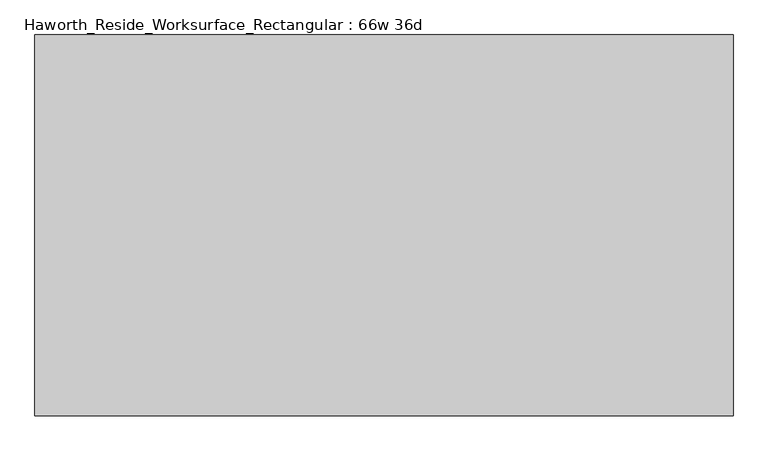
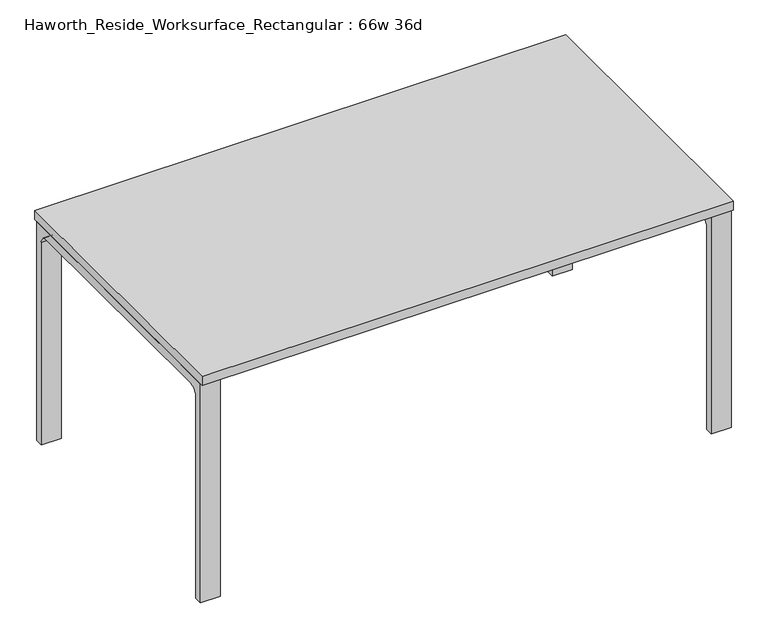
"""IFC4 building model written with IfcOpenShell, lengths in millimetres: furniture geometry, Haworth_Reside_Worksurface_Rectangular : 66w 36d."""

from ifc_helpers import new_model, si_unit, point, frame, frame_2d, origin, place, context, project, spatial, polyline, circle_curve, trimmed, segment, composite_curve, outline, extrude, source, transform, mapped, element, save


def haworth_reside_worksurface_rectangular_66w_36d_bd803600(model_context):
    return source(origin(), model_context, "Body", "SweptSolid", [
        extrude(outline(composite_curve([segment(trimmed(circle_curve(frame_2d((396.875, 676.275)), 25.4), [point((422.275, 676.275))], [point((396.875, 701.675))], True, "CARTESIAN"), True, "CONTINUOUS"), segment(polyline([(396.875, 701.675), (-396.875, 701.675)]), True, "CONTINUOUS"), segment(trimmed(circle_curve(frame_2d((-396.875, 676.275)), 25.4), [point((-396.875, 701.675))], [point((-422.275, 676.275))], True, "CARTESIAN"), True, "CONTINUOUS"), segment(polyline([(-422.275, 676.275), (-422.275, 0.0), (-447.675, 0.0), (-447.675, 731.8375), (447.675, 731.8375), (447.675, 0.0), (422.275, 0.0), (422.275, 676.275)]), True, "CONTINUOUS")], self_intersect=False)), frame((774.7, 0.0, 0.0), z_axis=(1.0, 0.0, 0.0), x_axis=(0.0, 1.0, 0.0)), (0.0, 0.0, 1.0), 63.5),
        extrude(outline(composite_curve([segment(trimmed(circle_curve(frame_2d((396.875, 676.275)), 25.4), [point((422.275, 676.275))], [point((396.875, 701.675))], True, "CARTESIAN"), True, "CONTINUOUS"), segment(polyline([(396.875, 701.675), (-396.875, 701.675)]), True, "CONTINUOUS"), segment(trimmed(circle_curve(frame_2d((-396.875, 676.275)), 25.4), [point((-396.875, 701.675))], [point((-422.275, 676.275))], True, "CARTESIAN"), True, "CONTINUOUS"), segment(polyline([(-422.275, 676.275), (-422.275, 0.0), (-447.675, 0.0), (-447.675, 731.8375), (447.675, 731.8375), (447.675, 0.0), (422.275, 0.0), (422.275, 676.275)]), True, "CONTINUOUS")], self_intersect=False)), frame((-838.2, 0.0, 0.0), z_axis=(1.0, 0.0, 0.0), x_axis=(0.0, 1.0, 0.0)), (0.0, 0.0, 1.0), 63.5),
        extrude(outline(polyline([(838.2, 457.2), (838.2, -457.2), (-838.2, -457.2), (-838.2, 457.2), (838.2, 457.2)])), frame((0.0, 0.0, 731.8375), z_axis=(0.0, 0.0, 1.0), x_axis=(1.0, 0.0, 0.0)), (0.0, 0.0, 1.0), 30.1625),
    ])


if __name__ == "__main__":
    model = new_model("IFC4")
    model_context = context("Model", 3, world=origin())
    ifc_project = project(units=[si_unit("LENGTHUNIT", "METRE", prefix="MILLI")], contexts=[model_context])
    site = spatial("IfcSite", under=ifc_project)
    building = spatial("IfcBuilding", under=site)
    placement = place(None, origin())
    haworth_reside_worksurface_rectangular_66w_36d_shape = haworth_reside_worksurface_rectangular_66w_36d_bd803600(model_context)
    element("IfcFurniture", 1, ObjectType="Haworth_Reside_Worksurface_Rectangular : 66w 36d", at=placement, inside=building, context=model_context, shape_type="MappedRepresentation", body=[
        mapped(haworth_reside_worksurface_rectangular_66w_36d_shape, transform((0.0, 0.0, 0.0), x_axis=(1.0, 0.0, 0.0), y_axis=(0.0, 1.0, 0.0), z_axis=(0.0, 0.0, 1.0))),
    ])
    save(model, "model.ifc")
